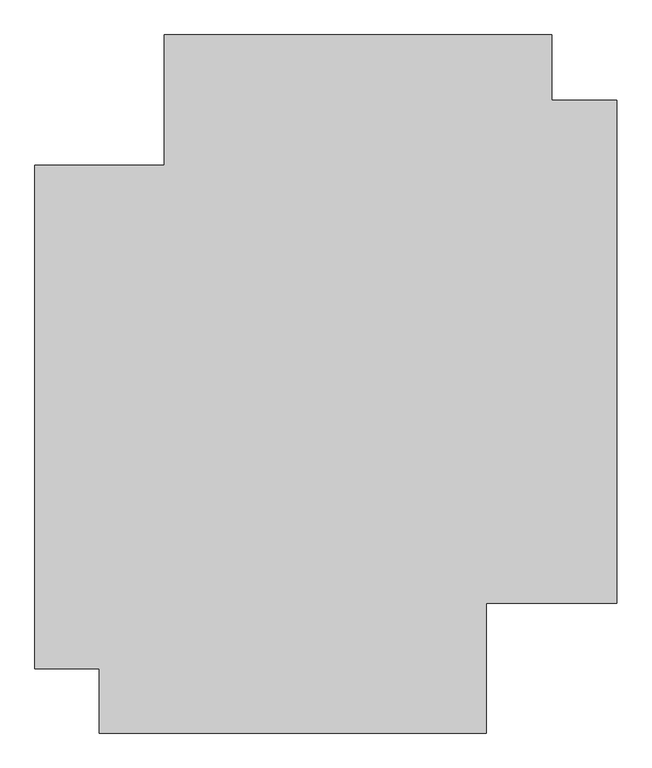
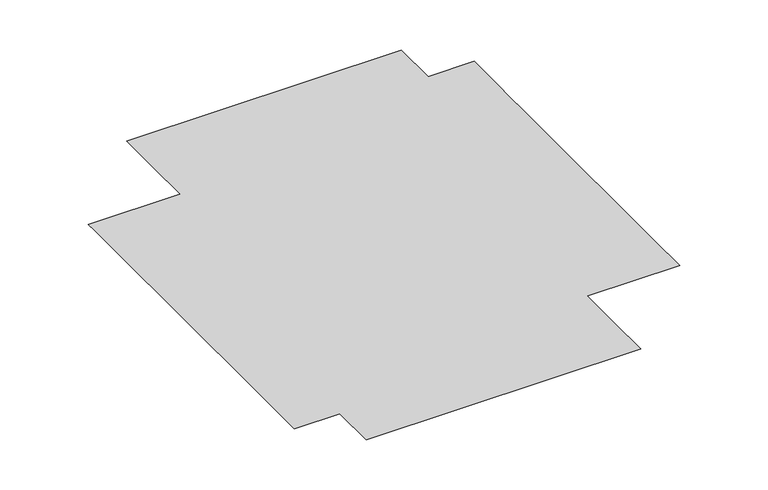
"""IFC4 building model written with IfcOpenShell, lengths in millimetres: furniture geometry."""

import ifcopenshell
import ifcopenshell.guid

model = None  # the IFC model being written
_history = None  # IfcOwnerHistory: only IFC2X3 demands one
_inside = {}  # id of a spatial element -> (the spatial element, [elements in it])
_under = {}  # id of a project, library or spatial element -> (it, [spatial elements below it])
_declared = {}  # id of a project -> (the project, [libraries it declares])
_typed = {}  # id of a type object -> (the type object, [elements of that type])
_made_of = {}  # id of a material, layer set ... -> (it, [elements and type objects made of it])


def new_model(schema):
    """Start an empty IFC model of exactly this schema.

    Asked for "IFC4X3", IfcOpenShell would pick the latest addendum, in which some entities
    have other attributes; the version numbers below select the first issue.
    IFC2X3 requires an IfcOwnerHistory on every rooted entity: one is made here for all.
    """
    global model, _history
    if schema == "IFC4X3":
        model = ifcopenshell.file(schema_version=(4, 3, 0, 0))
    else:
        model = ifcopenshell.file(schema=schema)
    _inside.clear()
    _under.clear()
    _declared.clear()
    _typed.clear()
    _made_of.clear()
    _history = None
    if model.schema == "IFC2X3":
        org = make("IfcOrganization", Name="unknown")
        user = make(
            "IfcPersonAndOrganization",
            ThePerson=make("IfcPerson", FamilyName="unknown"),
            TheOrganization=org,
        )
        app = make(
            "IfcApplication",
            ApplicationDeveloper=org,
            Version="unknown",
            ApplicationFullName="unknown",
            ApplicationIdentifier="unknown",
        )
        _history = make(
            "IfcOwnerHistory",
            OwningUser=user,
            OwningApplication=app,
            ChangeAction="ADDED",
            CreationDate=0,
        )
    return model


def make(cls, **values):
    """One entity of the class cls with the attributes given. An attribute that is None is left unset."""
    return model.create_entity(
        cls, **{name: value for name, value in values.items() if value is not None}
    )


def rooted(cls, **values):
    """An entity with a GlobalId (a new one), such as an element, a storey or a relation."""
    return make(cls, GlobalId=ifcopenshell.guid.new(), OwnerHistory=_history, **values)


def si_unit(unit_type, name, prefix=None):
    """IfcSIUnit, for example si_unit("LENGTHUNIT", "METRE", prefix="MILLI")."""
    return make("IfcSIUnit", UnitType=unit_type, Prefix=prefix, Name=name)


def assignment(units):
    """IfcUnitAssignment: the units of a project."""
    return None if units is None else make("IfcUnitAssignment", Units=units)


def point(xyz):
    """IfcCartesianPoint."""
    return None if xyz is None else make("IfcCartesianPoint", Coordinates=xyz)


def direction(xyz):
    """IfcDirection."""
    return None if xyz is None else make("IfcDirection", DirectionRatios=xyz)


def frame(location, z_axis=None, x_axis=None):
    """IfcAxis2Placement3D, a coordinate frame: its origin and axes. An axis left out is left unset."""
    return make(
        "IfcAxis2Placement3D",
        Location=point(location),
        Axis=direction(z_axis),
        RefDirection=direction(x_axis),
    )


def origin():
    """The frame at (0, 0, 0) with its axes left unset."""
    return frame((0.0, 0.0, 0.0))


def place(relative_to, where):
    """IfcLocalPlacement: puts the frame where relative to a parent placement (None: the world)."""
    return make(
        "IfcLocalPlacement", PlacementRelTo=relative_to, RelativePlacement=where
    )


def context(
    kind, dimensions, precision=None, world=None, true_north=None, identifier=None
):
    """IfcGeometricRepresentationContext, for example the 3D "Model" context."""
    return make(
        "IfcGeometricRepresentationContext",
        ContextIdentifier=identifier,
        ContextType=kind,
        CoordinateSpaceDimension=dimensions,
        Precision=precision,
        WorldCoordinateSystem=world,
        TrueNorth=true_north,
    )


def project(units=None, contexts=None):
    """IfcProject with its units and contexts."""
    return rooted(
        "IfcProject",
        Name="project",
        RepresentationContexts=contexts,
        UnitsInContext=assignment(units),
    )


def spatial(cls, under=None, at=None, **own):
    """A site, building, storey or space (cls), placed at a placement, below another one or the project."""
    s = rooted(cls, ObjectPlacement=at, **own)
    if under is not None:
        _under.setdefault(under.id(), (under, []))[1].append(s)
    return s


def point_list(points):
    """IfcCartesianPointList2D or 3D."""
    cls = (
        "IfcCartesianPointList2D" if len(points[0]) == 2 else "IfcCartesianPointList3D"
    )
    return make(cls, CoordList=points)


def triangles(points, corners, closed=None, point_numbers=None):
    """IfcTriangulatedFaceSet: each triangle names its three corners, points numbered from 1."""
    return make(
        "IfcTriangulatedFaceSet",
        Coordinates=point_list(points),
        Closed=closed,
        CoordIndex=corners,
        PnIndex=point_numbers,
    )


def shape(context_of_items, identifier, shape_type, items):
    """IfcShapeRepresentation: the items that make up one representation, for example the "Body"."""
    return make(
        "IfcShapeRepresentation",
        ContextOfItems=context_of_items,
        RepresentationIdentifier=identifier,
        RepresentationType=shape_type,
        Items=items,
    )


def source(mapping_origin, context_of_items, identifier, shape_type, items):
    """IfcRepresentationMap: a shape defined once, which mapped items show again and again."""
    return make(
        "IfcRepresentationMap",
        MappingOrigin=mapping_origin,
        MappedRepresentation=shape(context_of_items, identifier, shape_type, items),
    )


def transform(
    local_origin,
    x_axis=None,
    y_axis=None,
    z_axis=None,
    scale=None,
    scale2=None,
    scale3=None,
    uniform=True,
):
    """IfcCartesianTransformationOperator3D, or its non-uniform kind. x_axis, y_axis, z_axis: its Axis1, 2, 3."""
    if uniform:
        return make(
            "IfcCartesianTransformationOperator3D",
            Axis1=direction(x_axis),
            Axis2=direction(y_axis),
            LocalOrigin=point(local_origin),
            Scale=scale,
            Axis3=direction(z_axis),
        )
    return make(
        "IfcCartesianTransformationOperator3DnonUniform",
        Axis1=direction(x_axis),
        Axis2=direction(y_axis),
        LocalOrigin=point(local_origin),
        Scale=scale,
        Axis3=direction(z_axis),
        Scale2=scale2,
        Scale3=scale3,
    )


def mapped(mapping_source, mapping_target):
    """IfcMappedItem: shows the shape of a source again, moved by a transform."""
    return make(
        "IfcMappedItem", MappingSource=mapping_source, MappingTarget=mapping_target
    )


def made_of(thing, what):
    """Note that an element or type object is made of a material, layer set ...; save() writes the relation."""
    if what is not None:
        _made_of.setdefault(what.id(), (what, []))[1].append(thing)
    return thing


def element(
    cls,
    number,
    at=None,
    inside=None,
    cuts=None,
    type_object=None,
    material=None,
    context=None,
    identifier="Body",
    shape_type=None,
    held_by="IfcProductDefinitionShape",
    body=None,
    shapes=None,
    **own,
):
    """One element of the class cls, such as IfcWall. Its Tag is "e" and its number.

    at: its placement. inside: the storey or other place that contains it. cuts: it is an
    opening in that element (IfcRelVoidsElement). A single representation is given by context,
    identifier, shape_type and body (its items); several are given by shapes. held_by: the class
    of the entity that holds the representations. save() writes the other relations.
    """
    e = rooted(cls, Tag="e%d" % number, ObjectPlacement=at, **own)
    if body is not None:
        shapes = [shape(context, identifier, shape_type, body)]
    if shapes is not None:
        e.Representation = make(held_by, Representations=shapes)
    if inside is not None:
        _inside.setdefault(inside.id(), (inside, []))[1].append(e)
    if cuts is not None:
        rooted(
            "IfcRelVoidsElement", RelatingBuildingElement=cuts, RelatedOpeningElement=e
        )
    if type_object is not None:
        _typed.setdefault(type_object.id(), (type_object, []))[1].append(e)
    return made_of(e, material)


def aggregate(whole, parts):
    """IfcRelAggregates: a whole, such as a stair, and the parts it consists of."""
    return rooted("IfcRelAggregates", RelatingObject=whole, RelatedObjects=parts)


def save(model, path):
    """Write the relations noted so far, then the file.

    IfcRelAggregates (storeys below a building ...), IfcRelContainedInSpatialStructure (elements
    in a storey), IfcRelDefinesByType, IfcRelAssociatesMaterial and IfcRelDeclares: one each for
    every whole, place, type object, material and project.
    """
    for whole, parts in _under.values():
        aggregate(whole, parts)
    for where, things in _inside.values():
        rooted(
            "IfcRelContainedInSpatialStructure",
            RelatedElements=things,
            RelatingStructure=where,
        )
    for kind, things in _typed.values():
        rooted("IfcRelDefinesByType", RelatedObjects=things, RelatingType=kind)
    for what, things in _made_of.values():
        rooted("IfcRelAssociatesMaterial", RelatedObjects=things, RelatingMaterial=what)
    for by, libraries in _declared.values():
        rooted("IfcRelDeclares", RelatingContext=by, RelatedDefinitions=libraries)
    model.write(path)


def furniture_98de15a0(model_context):
    return source(origin(), model_context, "Body", "Tessellation", [
        triangles([(-1285.4452297, -1092.3980742, 0.761709), (-1285.4452297, -1241.361002, 0.7616829), (909.746723, -1241.3612926, 0.7616829), (909.7467957, -1092.3981468, 0.761709), (-1285.4452297, -1042.1052137, 0.7617178), (-1649.0621338, -1042.1049957, 0.7617178), (-1649.0621338, -1092.3977835, 0.761709), (1649.0525414, -1241.361438, 0.7616829), (1649.0525414, -1092.3984375, 0.761709), (1280.9344585, 1608.7448273, 0.7621812), (1280.9344585, 1978.5773403, 0.7622459), (-914.5775328, 1978.5777763, 0.7622459), (-914.5776054, 1608.7452633, 0.7621812), (1280.9343132, 1239.4848083, 0.7621167), (1648.8452866, 1239.484663, 0.7621167), (1648.8454319, 1608.7446819, 0.7621812), (1280.9343132, 1153.1056332, 0.7621016), (1648.9492046, 1153.1054878, 0.7621016), (-914.5776781, 1239.485099, 0.7621167), (-914.5776781, 1153.1059965, 0.7621016), (-1285.4453751, -1612.6442986, 0.761618), (-1285.4453751, -1978.5766136, 0.761554), (909.7465776, -1978.5769043, 0.761554), (909.7466503, -1612.6444439, 0.761618), (-1649.0621338, -1241.3608566, 0.7616829), (-1649.0622791, -1612.6440079, 0.761618), (-920.1202904, 879.5069263, 0.7620538), (909.7467957, -1042.1054317, 0.7617178), (1280.9341679, 879.5068537, 0.7620538), (-1649.0616978, 1153.1062145, 0.7621016), (-1649.0616978, 879.5073624, 0.7620538), (-1649.0616978, 1239.4853897, 0.7621167), (1649.052832, 879.506781, 0.7620538), (1649.0525414, -1042.1056498, 0.7617178)], [[1, 2, 3], [1, 3, 4], [1, 5, 6], [1, 6, 7], [4, 3, 8], [4, 8, 9], [10, 11, 12], [10, 12, 13], [10, 14, 15], [10, 15, 16], [14, 17, 18], [14, 18, 15], [19, 20, 17], [19, 17, 14], [21, 22, 23], [21, 23, 24], [14, 10, 13], [14, 13, 19], [21, 2, 25], [21, 25, 26], [27, 5, 28], [27, 28, 29], [27, 20, 30], [27, 30, 31], [5, 27, 31], [5, 31, 6], [5, 1, 4], [5, 4, 28], [2, 1, 7], [2, 7, 25], [2, 21, 24], [2, 24, 3], [20, 27, 29], [20, 29, 17], [20, 19, 32], [20, 32, 30], [17, 29, 33], [17, 33, 18], [29, 28, 34], [29, 34, 33], [28, 4, 9], [28, 9, 34]], closed=False),
    ])


if __name__ == "__main__":
    model = new_model("IFC4")
    model_context = context("Model", 3, world=origin())
    ifc_project = project(units=[si_unit("LENGTHUNIT", "METRE", prefix="MILLI")], contexts=[model_context])
    site = spatial("IfcSite", under=ifc_project)
    building = spatial("IfcBuilding", under=site)
    placement = place(None, origin())
    furniture_shape = furniture_98de15a0(model_context)
    element("IfcFurniture", 1, at=placement, inside=building, context=model_context, shape_type="MappedRepresentation", body=[
        mapped(furniture_shape, transform((0.0, 0.0, 0.0), x_axis=(1.0, 0.0, 0.0), y_axis=(0.0, 1.0, 0.0), z_axis=(0.0, 0.0, 1.0))),
    ])
    save(model, "model.ifc")
